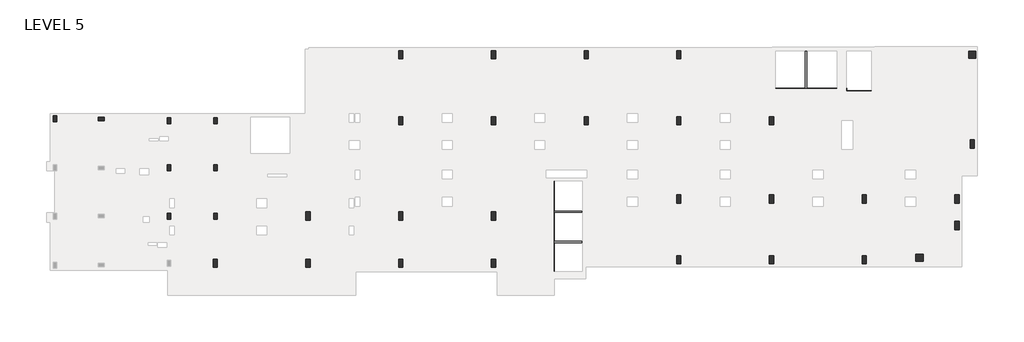
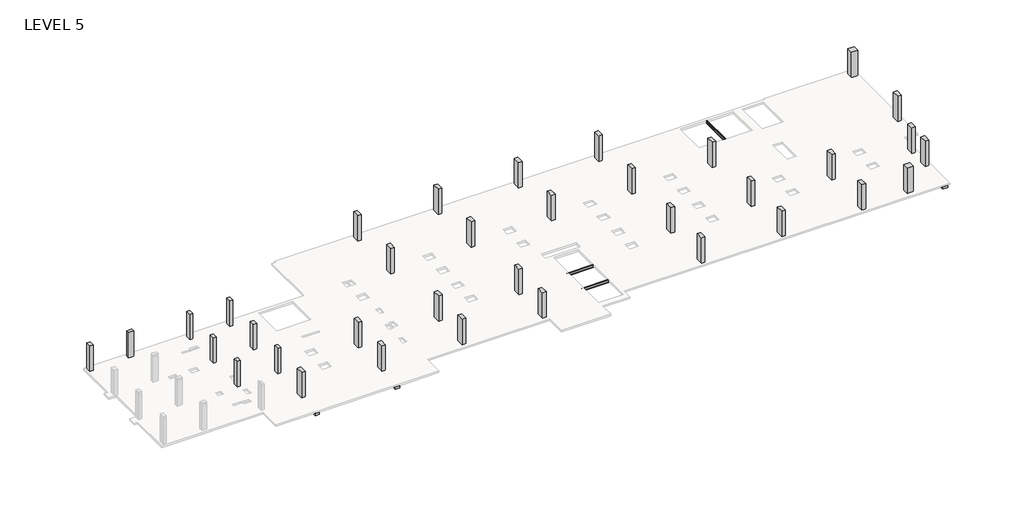
# One storey, part 2 of 2: 35 columns, 10 beams.
"""IFC4 building model written with IfcOpenShell, lengths in millimetres."""

from ifc_helpers import new_model, si_unit, point, frame, frame_2d, origin, place, context, project, spatial, polyline, circle_curve, trimmed, segment, composite_curve, outline, extrude, faceted_brep, element, save

model = new_model("IFC4")

# Units and contexts
model_context = context("Model", 3, world=origin())
ifc_project = project(units=[si_unit("LENGTHUNIT", "METRE", prefix="MILLI")], contexts=[model_context])

# Site, building, storey
site = spatial("IfcSite", under=ifc_project)
building = spatial("IfcBuilding", under=site)
storey = spatial("IfcBuildingStorey", under=building, Name="LEVEL 5", Elevation=16052.8)

# Beams
placement = place(None, origin())
element("IfcBeam", 1, ObjectType="UC Concrete-Rectangular Beam : 12\"x14\"", at=placement, inside=storey, context=model_context, shape_type="SweptSolid", body=[
    extrude(outline(polyline([(48846.3014942, -18816.5121146), (48846.3014942, -18511.7121146), (54078.7014942, -18511.7121146), (54078.7014942, -18816.5121146), (48846.3014942, -18816.5121146)])), frame((0.0, 0.0, 15697.2), z_axis=(0.0, 0.0, 1.0), x_axis=(1.0, 0.0, 0.0)), (0.0, 0.0, 1.0), 177.8),
])
element("IfcBeam", 2, ObjectType="UC Concrete-Rectangular Beam : 12\"x14\"", at=placement, inside=storey, context=model_context, shape_type="SweptSolid", body=[
    extrude(outline(polyline([(54931.1889942, -19051.9251747), (54931.1889942, -18747.1251747), (57025.1014942, -18747.1251747), (57025.1014942, -19051.9251747), (54931.1889942, -19051.9251747)])), frame((0.0, 0.0, 15697.2), z_axis=(0.0, 0.0, 1.0), x_axis=(1.0, 0.0, 0.0)), (0.0, 0.0, 1.0), 177.8),
])
element("IfcBeam", 3, ObjectType="UC Concrete-Rectangular Beam : 12\"x18\"", at=placement, inside=storey, context=model_context, shape_type="SweptSolid", body=[
    extrude(outline(polyline([(29607.3889942, -26472.1107149), (29912.1889942, -26472.1107149), (29912.1889942, -34485.8107149), (29607.3889942, -34485.8107149), (29607.3889942, -26472.1107149)])), frame((0.0, 0.0, 15290.8), z_axis=(0.0, 0.0, 1.0), x_axis=(1.0, 0.0, 0.0)), (0.0, 0.0, 1.0), 457.2),
])
element("IfcBeam", 4, ObjectType="UC Concrete-Rectangular Beam : 16\"x16\"", at=placement, inside=storey, context=model_context, shape_type="SweptSolid", body=[
    extrude(outline(polyline([(1153.0389942, -36213.0107149), (746.6389942, -36213.0107149), (746.6389942, -29189.8962158), (797.4389942, -29189.8962158), (797.4389942, -29697.8962158), (1102.2389942, -29697.8962158), (1102.2389942, -29189.8962158), (1153.0389942, -29189.8962158), (1153.0389942, -36213.0107149)]), holes=[polyline([(1127.6389942, -33838.1107149), (1127.6389942, -33126.9107149), (772.0389942, -33126.9107149), (772.0389942, -33838.1107149), (1127.6389942, -33838.1107149)])]), frame((0.0, 0.0, 15646.4), z_axis=(0.0, 0.0, 1.0), x_axis=(1.0, 0.0, 0.0)), (0.0, 0.0, 1.0), 228.6),
])
element("IfcBeam", 5, ObjectType="UC Concrete-Rectangular Beam : 16\"x16\"", at=placement, inside=storey, context=model_context, shape_type="SweptSolid", body=[
    extrude(outline(polyline([(9077.8389942, -36213.0107149), (8671.4389942, -36213.0107149), (8671.4389942, -29088.2962158), (8696.8389942, -29088.2962158), (8696.8389942, -29799.4962158), (9052.4389942, -29799.4962158), (9052.4389942, -29088.2962158), (9077.8389942, -29088.2962158), (9077.8389942, -36213.0107149)]), holes=[polyline([(9052.4389942, -33838.1107149), (9052.4389942, -33126.9107149), (8696.8389942, -33126.9107149), (8696.8389942, -33838.1107149), (9052.4389942, -33838.1107149)])]), frame((0.0, 0.0, 15646.4), z_axis=(0.0, 0.0, 1.0), x_axis=(1.0, 0.0, 0.0)), (0.0, 0.0, 1.0), 228.6),
])
element("IfcBeam", 6, ObjectType="UC Concrete-Rectangular Beam : 20\"x16\"", at=placement, inside=storey, context=model_context, shape_type="SweptSolid", body=[
    extrude(outline(polyline([(64094.2389942, -27564.3107149), (64602.2389942, -27564.3107149), (64602.2389942, -33768.9619979), (64094.2389942, -33768.9619979), (64094.2389942, -27564.3107149)]), holes=[polyline([(64526.0389942, -28351.7107149), (64526.0389942, -27640.5107149), (64170.4389942, -27640.5107149), (64170.4389942, -28351.7107149), (64526.0389942, -28351.7107149)]), polyline([(64526.0389942, -30612.3107149), (64526.0389942, -29901.1107149), (64170.4389942, -29901.1107149), (64170.4389942, -30612.3107149), (64526.0389942, -30612.3107149)])]), frame((0.0, 0.0, 15646.4), z_axis=(0.0, 0.0, 1.0), x_axis=(1.0, 0.0, 0.0)), (0.0, 0.0, 1.0), 228.6),
])
element("IfcBeam", 7, ObjectType="UC Concrete-Rectangular Beam : 21.25\"x14\"", at=placement, inside=storey, context=model_context, shape_type="Brep", body=[
    faceted_brep([(54080.2889942, -19051.9251747, 15697.2), (54080.2889942, -19051.9251747, 15875.0), (54080.2889942, -18941.0107149, 15875.0), (54080.2889942, -18941.0107149, 15697.2), (54931.1889942, -19051.9251747, 15697.2), (54931.1889942, -19051.9251747, 15875.0), (54383.5014942, -18941.0107149, 15697.2), (54383.5014942, -18512.1751747, 15697.2), (54931.1889942, -18512.1751747, 15697.2), (54931.1889942, -18747.1251747, 15697.2), (54931.1889942, -18512.1751747, 15875.0), (54383.5014942, -18512.1751747, 15875.0), (54931.1889942, -18747.1251747, 15875.0), (54383.5014942, -18941.0107149, 15875.0)], [[[0, 1, 2, 3]], [[0, 4, 5, 1]], [[4, 0, 3, 6, 7, 8, 9]], [[10, 8, 7, 11]], [[4, 9, 8, 10, 12, 5]], [[1, 5, 12, 10, 11, 13, 2]], [[6, 13, 11, 7]], [[13, 6, 3, 2]]]),
])
element("IfcBeam", 8, ObjectType="W-Wide Flange : W10x19", at=placement, inside=storey, context=model_context, shape_type="SweptSolid", body=[
    extrude(outline(composite_curve([segment(polyline([(-29037.0415655, 15803.753), (-29037.0415655, 15793.72), (-29139.1495655, 15793.72), (-29139.1495655, 15803.753), (-29105.0500655, 15803.753)]), True, "CONTINUOUS"), segment(trimmed(circle_curve(frame_2d((-29105.0500655, 15817.5325)), 13.7795), [point((-29105.0500655, 15803.753))], [point((-29091.2705655, 15817.5325))], True, "CARTESIAN"), True, "CONTINUOUS"), segment(polyline([(-29091.2705655, 15817.5325), (-29091.2705655, 16028.9875)]), True, "CONTINUOUS"), segment(trimmed(circle_curve(frame_2d((-29105.0500655, 16028.9875)), 13.7795), [point((-29091.2705655, 16028.9875))], [point((-29105.0500655, 16042.767))], True, "CARTESIAN"), True, "CONTINUOUS"), segment(polyline([(-29105.0500655, 16042.767), (-29139.1495655, 16042.767), (-29139.1495655, 16052.8), (-29037.0415655, 16052.8), (-29037.0415655, 16042.767), (-29071.1410655, 16042.767)]), True, "CONTINUOUS"), segment(trimmed(circle_curve(frame_2d((-29071.1410655, 16028.9875)), 13.7795), [point((-29071.1410655, 16042.767))], [point((-29084.9205655, 16028.9875))], True, "CARTESIAN"), True, "CONTINUOUS"), segment(polyline([(-29084.9205655, 16028.9875), (-29084.9205655, 15817.5325)]), True, "CONTINUOUS"), segment(trimmed(circle_curve(frame_2d((-29071.1410655, 15817.5325)), 13.7795), [point((-29084.9205655, 15817.5325))], [point((-29071.1410655, 15803.753))], True, "CARTESIAN"), True, "CONTINUOUS"), segment(polyline([(-29071.1410655, 15803.753), (-29037.0415655, 15803.753)]), True, "CONTINUOUS")], self_intersect=False)), frame((29658.1889942, 0.0, 0.0), z_axis=(1.0, 0.0, 0.0), x_axis=(0.0, 1.0, 0.0)), (0.0, 0.0, 1.0), 2628.9),
])
element("IfcBeam", 9, ObjectType="W-Wide Flange : W10x19", at=placement, inside=storey, context=model_context, shape_type="SweptSolid", body=[
    extrude(outline(composite_curve([segment(polyline([(-31620.0116402, 15803.753), (-31620.0116402, 15793.72), (-31722.1196402, 15793.72), (-31722.1196402, 15803.753), (-31688.0201402, 15803.753)]), True, "CONTINUOUS"), segment(trimmed(circle_curve(frame_2d((-31688.0201402, 15817.5325)), 13.7795), [point((-31688.0201402, 15803.753))], [point((-31674.2406402, 15817.5325))], True, "CARTESIAN"), True, "CONTINUOUS"), segment(polyline([(-31674.2406402, 15817.5325), (-31674.2406402, 16028.9875)]), True, "CONTINUOUS"), segment(trimmed(circle_curve(frame_2d((-31688.0201402, 16028.9875)), 13.7795), [point((-31674.2406402, 16028.9875))], [point((-31688.0201402, 16042.767))], True, "CARTESIAN"), True, "CONTINUOUS"), segment(polyline([(-31688.0201402, 16042.767), (-31722.1196402, 16042.767), (-31722.1196402, 16052.8), (-31620.0116402, 16052.8), (-31620.0116402, 16042.767), (-31654.1111402, 16042.767)]), True, "CONTINUOUS"), segment(trimmed(circle_curve(frame_2d((-31654.1111402, 16028.9875)), 13.7795), [point((-31654.1111402, 16042.767))], [point((-31667.8906402, 16028.9875))], True, "CARTESIAN"), True, "CONTINUOUS"), segment(polyline([(-31667.8906402, 16028.9875), (-31667.8906402, 15817.5325)]), True, "CONTINUOUS"), segment(trimmed(circle_curve(frame_2d((-31654.1111402, 15817.5325)), 13.7795), [point((-31667.8906402, 15817.5325))], [point((-31654.1111402, 15803.753))], True, "CARTESIAN"), True, "CONTINUOUS"), segment(polyline([(-31654.1111402, 15803.753), (-31620.0116402, 15803.753)]), True, "CONTINUOUS")], self_intersect=False)), frame((29658.1889942, 0.0, 0.0), z_axis=(1.0, 0.0, 0.0), x_axis=(0.0, 1.0, 0.0)), (0.0, 0.0, 1.0), 2628.9),
])
element("IfcBeam", 10, ObjectType="W-Wide Flange : W10x19", at=placement, inside=storey, context=model_context, shape_type="SweptSolid", body=[
    extrude(outline(composite_curve([segment(polyline([(15803.753, 51393.5049061), (15793.72, 51393.5049061), (15793.72, 51495.6129061), (15803.753, 51495.6129061), (15803.753, 51461.5134061)]), True, "CONTINUOUS"), segment(trimmed(circle_curve(frame_2d((15817.5325, 51461.5134061)), 13.7795), [point((15803.753, 51461.5134061))], [point((15817.5325, 51447.7339061))], True, "CARTESIAN"), True, "CONTINUOUS"), segment(polyline([(15817.5325, 51447.7339061), (16028.9875, 51447.7339061)]), True, "CONTINUOUS"), segment(trimmed(circle_curve(frame_2d((16028.9875, 51461.5134061)), 13.7795), [point((16028.9875, 51447.7339061))], [point((16042.767, 51461.5134061))], True, "CARTESIAN"), True, "CONTINUOUS"), segment(polyline([(16042.767, 51461.5134061), (16042.767, 51495.6129061), (16052.8, 51495.6129061), (16052.8, 51393.5049061), (16042.767, 51393.5049061), (16042.767, 51427.6044061)]), True, "CONTINUOUS"), segment(trimmed(circle_curve(frame_2d((16028.9875, 51427.6044061)), 13.7795), [point((16042.767, 51427.6044061))], [point((16028.9875, 51441.3839061))], True, "CARTESIAN"), True, "CONTINUOUS"), segment(polyline([(16028.9875, 51441.3839061), (15817.5325, 51441.3839061)]), True, "CONTINUOUS"), segment(trimmed(circle_curve(frame_2d((15817.5325, 51427.6044061)), 13.7795), [point((15817.5325, 51441.3839061))], [point((15803.753, 51427.6044061))], True, "CARTESIAN"), True, "CONTINUOUS"), segment(polyline([(15803.753, 51427.6044061), (15803.753, 51393.5049061)]), True, "CONTINUOUS")], self_intersect=False)), frame((0.0, -18499.0121146, 0.0), z_axis=(0.0, 1.0, 0.0), x_axis=(0.0, 0.0, 1.0)), (0.0, 0.0, 1.0), 3152.1013996),
])

# Columns
element("IfcColumn", 11, ObjectType="UC Concrete-Rectangular-Column : 12 x 20", at=placement, inside=storey, context=model_context, shape_type="SweptSolid", body=[
    extrude(outline(polyline([(-12613.7610058, -20884.1107149), (-12613.7610058, -21392.1107149), (-12918.5610058, -21392.1107149), (-12918.5610058, -20884.1107149), (-12613.7610058, -20884.1107149)])), frame((0.0, 0.0, 16052.8), z_axis=(0.0, 0.0, 1.0), x_axis=(1.0, 0.0, 0.0)), (0.0, 0.0, 1.0), 2667.0),
])
element("IfcColumn", 12, ObjectType="UC Concrete-Rectangular-Column : 12 x 20", at=placement, inside=storey, context=model_context, shape_type="SweptSolid", body=[
    extrude(outline(polyline([(-9057.7610058, -20985.7107149), (-8549.7610058, -20985.7107149), (-8549.7610058, -21290.5107149), (-9057.7610058, -21290.5107149), (-9057.7610058, -20985.7107149)])), frame((0.0, 0.0, 16052.8), z_axis=(0.0, 0.0, 1.0), x_axis=(1.0, 0.0, 0.0)), (0.0, 0.0, 1.0), 2667.0),
])
element("IfcColumn", 13, ObjectType="UC Concrete-Rectangular-Column : 12 x 20", at=placement, inside=storey, context=model_context, shape_type="SweptSolid", body=[
    extrude(outline(polyline([(1102.2389942, -21036.5107149), (1102.2389942, -21544.5107149), (797.4389942, -21544.5107149), (797.4389942, -21036.5107149), (1102.2389942, -21036.5107149)])), frame((0.0, 0.0, 16052.8), z_axis=(0.0, 0.0, 1.0), x_axis=(1.0, 0.0, 0.0)), (0.0, 0.0, 1.0), 2667.0),
])
element("IfcColumn", 14, ObjectType="UC Concrete-Rectangular-Column : 12 x 20", at=placement, inside=storey, context=model_context, shape_type="SweptSolid", body=[
    extrude(outline(polyline([(1102.2389942, -25075.0962939), (1102.2389942, -25583.0962939), (797.4389942, -25583.0962939), (797.4389942, -25075.0962939), (1102.2389942, -25075.0962939)])), frame((0.0, 0.0, 16052.8), z_axis=(0.0, 0.0, 1.0), x_axis=(1.0, 0.0, 0.0)), (0.0, 0.0, 1.0), 2667.0),
])
element("IfcColumn", 15, ObjectType="UC Concrete-Rectangular-Column : 12 x 20", at=placement, inside=storey, context=model_context, shape_type="SweptSolid", body=[
    extrude(outline(polyline([(1102.2389942, -29189.8962158), (1102.2389942, -29697.8962158), (797.4389942, -29697.8962158), (797.4389942, -29189.8962158), (1102.2389942, -29189.8962158)])), frame((0.0, 0.0, 16052.8), z_axis=(0.0, 0.0, 1.0), x_axis=(1.0, 0.0, 0.0)), (0.0, 0.0, 1.0), 2667.0),
])
element("IfcColumn", 16, ObjectType="UC Concrete-Rectangular-Column : 12 x 20", at=placement, inside=storey, context=model_context, shape_type="SweptSolid", body=[
    extrude(outline(polyline([(-2860.1610058, -21036.5107149), (-2860.1610058, -21544.5107149), (-3164.9610058, -21544.5107149), (-3164.9610058, -21036.5107149), (-2860.1610058, -21036.5107149)])), frame((0.0, 0.0, 16052.8), z_axis=(0.0, 0.0, 1.0), x_axis=(1.0, 0.0, 0.0)), (0.0, 0.0, 1.0), 2667.0),
])
element("IfcColumn", 17, ObjectType="UC Concrete-Rectangular-Column : 12 x 20", at=placement, inside=storey, context=model_context, shape_type="SweptSolid", body=[
    extrude(outline(polyline([(-2860.1610058, -25075.0962939), (-2860.1610058, -25583.0962939), (-3164.9610058, -25583.0962939), (-3164.9610058, -25075.0962939), (-2860.1610058, -25075.0962939)])), frame((0.0, 0.0, 16052.8), z_axis=(0.0, 0.0, 1.0), x_axis=(1.0, 0.0, 0.0)), (0.0, 0.0, 1.0), 2667.0),
])
element("IfcColumn", 18, ObjectType="UC Concrete-Rectangular-Column : 12 x 20", at=placement, inside=storey, context=model_context, shape_type="SweptSolid", body=[
    extrude(outline(polyline([(-2860.1610058, -29189.8962158), (-2860.1610058, -29697.8962158), (-3164.9610058, -29697.8962158), (-3164.9610058, -29189.8962158), (-2860.1610058, -29189.8962158)])), frame((0.0, 0.0, 16052.8), z_axis=(0.0, 0.0, 1.0), x_axis=(1.0, 0.0, 0.0)), (0.0, 0.0, 1.0), 2667.0),
])
element("IfcColumn", 19, ObjectType="UC Concrete-Rectangular-Column : 14 x 28", at=placement, inside=storey, context=model_context, shape_type="Brep", body=[
    faceted_brep([(1127.6389942, -33126.9107149, 16052.8), (1127.6389942, -33838.1107149, 16052.8), (772.0389942, -33838.1107149, 16052.8), (772.0389942, -33126.9107149, 16052.8), (1127.6389942, -33126.9107149, 18491.2), (1127.6389942, -33126.9107149, 18719.8), (1127.6389942, -33838.1107149, 18719.8), (1127.6389942, -33838.1107149, 18491.2), (772.0389942, -33838.1107149, 18719.8), (772.0389942, -33838.1107149, 18491.2), (772.0389942, -33126.9107149, 18719.8), (772.0389942, -33126.9107149, 18491.2)], [[[0, 1, 2, 3]], [[1, 0, 4, 5, 6, 7]], [[2, 1, 7, 6, 8, 9]], [[3, 2, 9, 8, 10, 11]], [[0, 3, 11, 10, 5, 4]], [[6, 5, 10, 8]]]),
])
element("IfcColumn", 20, ObjectType="UC Concrete-Rectangular-Column : 14 x 28", at=placement, inside=storey, context=model_context, shape_type="Brep", body=[
    faceted_brep([(9052.4389942, -33126.9107149, 16052.8), (9052.4389942, -33838.1107149, 16052.8), (8696.8389942, -33838.1107149, 16052.8), (8696.8389942, -33126.9107149, 16052.8), (9052.4389942, -33126.9107149, 18491.2), (9052.4389942, -33126.9107149, 18719.8), (9052.4389942, -33838.1107149, 18719.8), (9052.4389942, -33838.1107149, 18491.2), (8696.8389942, -33838.1107149, 18719.8), (8696.8389942, -33838.1107149, 18491.2), (8696.8389942, -33126.9107149, 18719.8), (8696.8389942, -33126.9107149, 18491.2)], [[[0, 1, 2, 3]], [[1, 0, 4, 5, 6, 7]], [[2, 1, 7, 6, 8, 9]], [[3, 2, 9, 8, 10, 11]], [[0, 3, 11, 10, 5, 4]], [[6, 5, 10, 8]]]),
])
element("IfcColumn", 21, ObjectType="UC Concrete-Rectangular-Column : 14 x 28", at=placement, inside=storey, context=model_context, shape_type="SweptSolid", body=[
    extrude(outline(polyline([(9052.4389942, -29088.2962158), (9052.4389942, -29799.4962158), (8696.8389942, -29799.4962158), (8696.8389942, -29088.2962158), (9052.4389942, -29088.2962158)])), frame((0.0, 0.0, 16052.8), z_axis=(0.0, 0.0, 1.0), x_axis=(1.0, 0.0, 0.0)), (0.0, 0.0, 1.0), 2667.0),
])
element("IfcColumn", 22, ObjectType="UC Concrete-Rectangular-Column : 14 x 28", at=placement, inside=storey, context=model_context, shape_type="SweptSolid", body=[
    extrude(outline(polyline([(16977.2389942, -29088.2962158), (16977.2389942, -29799.4962158), (16621.6389942, -29799.4962158), (16621.6389942, -29088.2962158), (16977.2389942, -29088.2962158)])), frame((0.0, 0.0, 16052.8), z_axis=(0.0, 0.0, 1.0), x_axis=(1.0, 0.0, 0.0)), (0.0, 0.0, 1.0), 2667.0),
])
element("IfcColumn", 23, ObjectType="UC Concrete-Rectangular-Column : 14 x 28", at=placement, inside=storey, context=model_context, shape_type="SweptSolid", body=[
    extrude(outline(polyline([(16977.2389942, -33126.9107149), (16977.2389942, -33838.1107149), (16621.6389942, -33838.1107149), (16621.6389942, -33126.9107149), (16977.2389942, -33126.9107149)])), frame((0.0, 0.0, 16052.8), z_axis=(0.0, 0.0, 1.0), x_axis=(1.0, 0.0, 0.0)), (0.0, 0.0, 1.0), 2667.0),
])
element("IfcColumn", 24, ObjectType="UC Concrete-Rectangular-Column : 14 x 28", at=placement, inside=storey, context=model_context, shape_type="SweptSolid", body=[
    extrude(outline(polyline([(24902.0389942, -33126.9107149), (24902.0389942, -33838.1107149), (24546.4389942, -33838.1107149), (24546.4389942, -33126.9107149), (24902.0389942, -33126.9107149)])), frame((0.0, 0.0, 16052.8), z_axis=(0.0, 0.0, 1.0), x_axis=(1.0, 0.0, 0.0)), (0.0, 0.0, 1.0), 2667.0),
])
element("IfcColumn", 25, ObjectType="UC Concrete-Rectangular-Column : 14 x 28", at=placement, inside=storey, context=model_context, shape_type="SweptSolid", body=[
    extrude(outline(polyline([(24902.0389942, -29088.2962158), (24902.0389942, -29799.4962158), (24546.4389942, -29799.4962158), (24546.4389942, -29088.2962158), (24902.0389942, -29088.2962158)])), frame((0.0, 0.0, 16052.8), z_axis=(0.0, 0.0, 1.0), x_axis=(1.0, 0.0, 0.0)), (0.0, 0.0, 1.0), 2667.0),
])
element("IfcColumn", 26, ObjectType="UC Concrete-Rectangular-Column : 14 x 28", at=placement, inside=storey, context=model_context, shape_type="SweptSolid", body=[
    extrude(outline(polyline([(16977.2389942, -15296.1107149), (16977.2389942, -16007.3107149), (16621.6389942, -16007.3107149), (16621.6389942, -15296.1107149), (16977.2389942, -15296.1107149)])), frame((0.0, 0.0, 16052.8), z_axis=(0.0, 0.0, 1.0), x_axis=(1.0, 0.0, 0.0)), (0.0, 0.0, 1.0), 2667.0),
])
element("IfcColumn", 27, ObjectType="UC Concrete-Rectangular-Column : 14 x 28", at=placement, inside=storey, context=model_context, shape_type="SweptSolid", body=[
    extrude(outline(polyline([(16977.2389942, -20934.9107149), (16977.2389942, -21646.1107149), (16621.6389942, -21646.1107149), (16621.6389942, -20934.9107149), (16977.2389942, -20934.9107149)])), frame((0.0, 0.0, 16052.8), z_axis=(0.0, 0.0, 1.0), x_axis=(1.0, 0.0, 0.0)), (0.0, 0.0, 1.0), 2667.0),
])
element("IfcColumn", 28, ObjectType="UC Concrete-Rectangular-Column : 14 x 28", at=placement, inside=storey, context=model_context, shape_type="SweptSolid", body=[
    extrude(outline(polyline([(24902.0389942, -20934.9107149), (24902.0389942, -21646.1107149), (24546.4389942, -21646.1107149), (24546.4389942, -20934.9107149), (24902.0389942, -20934.9107149)])), frame((0.0, 0.0, 16052.8), z_axis=(0.0, 0.0, 1.0), x_axis=(1.0, 0.0, 0.0)), (0.0, 0.0, 1.0), 2667.0),
])
element("IfcColumn", 29, ObjectType="UC Concrete-Rectangular-Column : 14 x 28", at=placement, inside=storey, context=model_context, shape_type="SweptSolid", body=[
    extrude(outline(polyline([(24902.0389942, -15296.1107149), (24902.0389942, -16007.3107149), (24546.4389942, -16007.3107149), (24546.4389942, -15296.1107149), (24902.0389942, -15296.1107149)])), frame((0.0, 0.0, 16052.8), z_axis=(0.0, 0.0, 1.0), x_axis=(1.0, 0.0, 0.0)), (0.0, 0.0, 1.0), 2667.0),
])
element("IfcColumn", 30, ObjectType="UC Concrete-Rectangular-Column : 14 x 28", at=placement, inside=storey, context=model_context, shape_type="SweptSolid", body=[
    extrude(outline(polyline([(32826.8389942, -15296.1107149), (32826.8389942, -16007.3107149), (32471.2389942, -16007.3107149), (32471.2389942, -15296.1107149), (32826.8389942, -15296.1107149)])), frame((0.0, 0.0, 16052.8), z_axis=(0.0, 0.0, 1.0), x_axis=(1.0, 0.0, 0.0)), (0.0, 0.0, 1.0), 2667.0),
])
element("IfcColumn", 31, ObjectType="UC Concrete-Rectangular-Column : 14 x 28", at=placement, inside=storey, context=model_context, shape_type="SweptSolid", body=[
    extrude(outline(polyline([(32826.8389942, -20934.9107149), (32826.8389942, -21646.1107149), (32471.2389942, -21646.1107149), (32471.2389942, -20934.9107149), (32826.8389942, -20934.9107149)])), frame((0.0, 0.0, 16052.8), z_axis=(0.0, 0.0, 1.0), x_axis=(1.0, 0.0, 0.0)), (0.0, 0.0, 1.0), 2667.0),
])
element("IfcColumn", 32, ObjectType="UC Concrete-Rectangular-Column : 14 x 28", at=placement, inside=storey, context=model_context, shape_type="SweptSolid", body=[
    extrude(outline(polyline([(40751.6389942, -32822.1107149), (40751.6389942, -33533.3107149), (40396.0389942, -33533.3107149), (40396.0389942, -32822.1107149), (40751.6389942, -32822.1107149)])), frame((0.0, 0.0, 16052.8), z_axis=(0.0, 0.0, 1.0), x_axis=(1.0, 0.0, 0.0)), (0.0, 0.0, 1.0), 2667.0),
])
element("IfcColumn", 33, ObjectType="UC Concrete-Rectangular-Column : 14 x 28", at=placement, inside=storey, context=model_context, shape_type="SweptSolid", body=[
    extrude(outline(polyline([(40751.6389942, -27640.5107149), (40751.6389942, -28351.7107149), (40396.0389942, -28351.7107149), (40396.0389942, -27640.5107149), (40751.6389942, -27640.5107149)])), frame((0.0, 0.0, 16052.8), z_axis=(0.0, 0.0, 1.0), x_axis=(1.0, 0.0, 0.0)), (0.0, 0.0, 1.0), 2667.0),
])
element("IfcColumn", 34, ObjectType="UC Concrete-Rectangular-Column : 14 x 28", at=placement, inside=storey, context=model_context, shape_type="SweptSolid", body=[
    extrude(outline(polyline([(40751.6389942, -20934.9107149), (40751.6389942, -21646.1107149), (40396.0389942, -21646.1107149), (40396.0389942, -20934.9107149), (40751.6389942, -20934.9107149)])), frame((0.0, 0.0, 16052.8), z_axis=(0.0, 0.0, 1.0), x_axis=(1.0, 0.0, 0.0)), (0.0, 0.0, 1.0), 2667.0),
])
element("IfcColumn", 35, ObjectType="UC Concrete-Rectangular-Column : 14 x 28", at=placement, inside=storey, context=model_context, shape_type="SweptSolid", body=[
    extrude(outline(polyline([(40751.6389942, -15296.1107149), (40751.6389942, -16007.3107149), (40396.0389942, -16007.3107149), (40396.0389942, -15296.1107149), (40751.6389942, -15296.1107149)])), frame((0.0, 0.0, 16052.8), z_axis=(0.0, 0.0, 1.0), x_axis=(1.0, 0.0, 0.0)), (0.0, 0.0, 1.0), 2667.0),
])
element("IfcColumn", 36, ObjectType="UC Concrete-Rectangular-Column : 14 x 28", at=placement, inside=storey, context=model_context, shape_type="SweptSolid", body=[
    extrude(outline(polyline([(48676.4389942, -20934.9107149), (48676.4389942, -21646.1107149), (48320.8389942, -21646.1107149), (48320.8389942, -20934.9107149), (48676.4389942, -20934.9107149)])), frame((0.0, 0.0, 16052.8), z_axis=(0.0, 0.0, 1.0), x_axis=(1.0, 0.0, 0.0)), (0.0, 0.0, 1.0), 2667.0),
])
element("IfcColumn", 37, ObjectType="UC Concrete-Rectangular-Column : 14 x 28", at=placement, inside=storey, context=model_context, shape_type="SweptSolid", body=[
    extrude(outline(polyline([(48676.4389942, -32822.1107149), (48676.4389942, -33533.3107149), (48320.8389942, -33533.3107149), (48320.8389942, -32822.1107149), (48676.4389942, -32822.1107149)])), frame((0.0, 0.0, 16052.8), z_axis=(0.0, 0.0, 1.0), x_axis=(1.0, 0.0, 0.0)), (0.0, 0.0, 1.0), 2667.0),
])
element("IfcColumn", 38, ObjectType="UC Concrete-Rectangular-Column : 14 x 28", at=placement, inside=storey, context=model_context, shape_type="SweptSolid", body=[
    extrude(outline(polyline([(48676.4389942, -27640.5107149), (48676.4389942, -28351.7107149), (48320.8389942, -28351.7107149), (48320.8389942, -27640.5107149), (48676.4389942, -27640.5107149)])), frame((0.0, 0.0, 16052.8), z_axis=(0.0, 0.0, 1.0), x_axis=(1.0, 0.0, 0.0)), (0.0, 0.0, 1.0), 2667.0),
])
element("IfcColumn", 39, ObjectType="UC Concrete-Rectangular-Column : 14 x 28", at=placement, inside=storey, context=model_context, shape_type="SweptSolid", body=[
    extrude(outline(polyline([(56601.2389942, -27640.5107149), (56601.2389942, -28351.7107149), (56245.6389942, -28351.7107149), (56245.6389942, -27640.5107149), (56601.2389942, -27640.5107149)])), frame((0.0, 0.0, 16052.8), z_axis=(0.0, 0.0, 1.0), x_axis=(1.0, 0.0, 0.0)), (0.0, 0.0, 1.0), 2667.0),
])
element("IfcColumn", 40, ObjectType="UC Concrete-Rectangular-Column : 14 x 28", at=placement, inside=storey, context=model_context, shape_type="Brep", body=[
    faceted_brep([(64526.0389942, -27640.5107149, 16052.8), (64526.0389942, -28351.7107149, 16052.8), (64170.4389942, -28351.7107149, 16052.8), (64170.4389942, -27640.5107149, 16052.8), (64526.0389942, -27640.5107149, 18491.2), (64526.0389942, -27640.5107149, 18719.8), (64526.0389942, -28351.7107149, 18719.8), (64526.0389942, -28351.7107149, 18491.2), (64170.4389942, -28351.7107149, 18719.8), (64170.4389942, -28351.7107149, 18491.2), (64170.4389942, -27640.5107149, 18719.8), (64170.4389942, -27640.5107149, 18491.2)], [[[0, 1, 2, 3]], [[1, 0, 4, 5, 6, 7]], [[2, 1, 7, 6, 8, 9]], [[3, 2, 9, 8, 10, 11]], [[0, 3, 11, 10, 5, 4]], [[6, 5, 10, 8]]]),
])
element("IfcColumn", 41, ObjectType="UC Concrete-Rectangular-Column : 14 x 28", at=placement, inside=storey, context=model_context, shape_type="Brep", body=[
    faceted_brep([(64526.0389942, -29901.1107149, 16052.8), (64526.0389942, -30612.3107149, 16052.8), (64170.4389942, -30612.3107149, 16052.8), (64170.4389942, -29901.1107149, 16052.8), (64526.0389942, -29901.1107149, 18491.2), (64526.0389942, -29901.1107149, 18719.8), (64526.0389942, -30612.3107149, 18719.8), (64526.0389942, -30612.3107149, 18491.2), (64170.4389942, -30612.3107149, 18719.8), (64170.4389942, -30612.3107149, 18491.2), (64170.4389942, -29901.1107149, 18719.8), (64170.4389942, -29901.1107149, 18491.2)], [[[0, 1, 2, 3]], [[1, 0, 4, 5, 6, 7]], [[2, 1, 7, 6, 8, 9]], [[3, 2, 9, 8, 10, 11]], [[0, 3, 11, 10, 5, 4]], [[6, 5, 10, 8]]]),
])
element("IfcColumn", 42, ObjectType="UC Concrete-Rectangular-Column : 14 x 28", at=placement, inside=storey, context=model_context, shape_type="SweptSolid", body=[
    extrude(outline(polyline([(65840.1210466, -22916.0962939), (65840.1210466, -23627.2962939), (65484.5210466, -23627.2962939), (65484.5210466, -22916.0962939), (65840.1210466, -22916.0962939)])), frame((0.0, 0.0, 16052.8), z_axis=(0.0, 0.0, 1.0), x_axis=(1.0, 0.0, 0.0)), (0.0, 0.0, 1.0), 2667.0),
])
element("IfcColumn", 43, ObjectType="UC Concrete-Rectangular-Column : 14 x 28", at=placement, inside=storey, context=model_context, shape_type="SweptSolid", body=[
    extrude(outline(polyline([(56601.2389942, -32822.1107149), (56601.2389942, -33533.3107149), (56245.6389942, -33533.3107149), (56245.6389942, -32822.1107149), (56601.2389942, -32822.1107149)])), frame((0.0, 0.0, 16052.8), z_axis=(0.0, 0.0, 1.0), x_axis=(1.0, 0.0, 0.0)), (0.0, 0.0, 1.0), 2667.0),
])
element("IfcColumn", 44, ObjectType="UC Concrete-Rectangular-Column : 24 x 24", at=placement, inside=storey, context=model_context, shape_type="SweptSolid", body=[
    extrude(outline(polyline([(65967.1210466, -15348.3627877), (65967.1210466, -15957.9627877), (65357.5210466, -15957.9627877), (65357.5210466, -15348.3627877), (65967.1210466, -15348.3627877)])), frame((0.0, 0.0, 16052.8), z_axis=(0.0, 0.0, 1.0), x_axis=(1.0, 0.0, 0.0)), (0.0, 0.0, 1.0), 2667.0),
])
element("IfcColumn", 45, ObjectType="UC Concrete-Rectangular-Column : 24 x 24", at=placement, inside=storey, context=model_context, shape_type="SweptSolid", body=[
    extrude(outline(polyline([(61453.141098, -32695.1107149), (61453.141098, -33304.7107149), (60843.541098, -33304.7107149), (60843.541098, -32695.1107149), (61453.141098, -32695.1107149)])), frame((0.0, 0.0, 16052.8), z_axis=(0.0, 0.0, 1.0), x_axis=(1.0, 0.0, 0.0)), (0.0, 0.0, 1.0), 2667.0),
])

save(model, "model.ifc")
